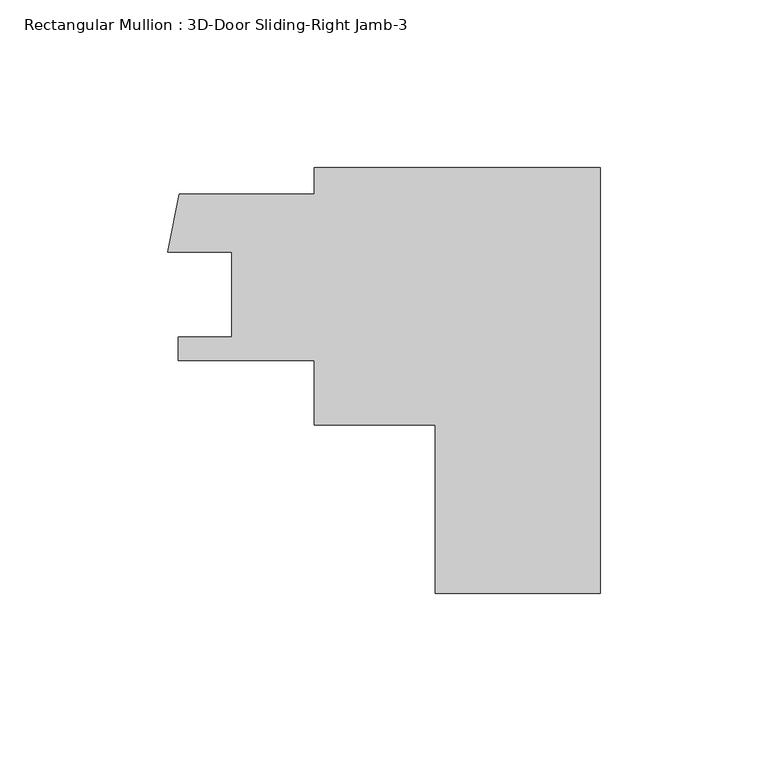
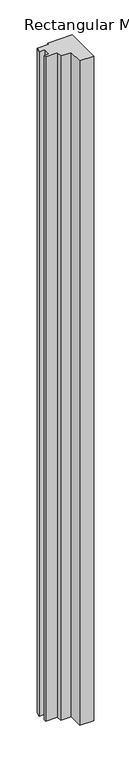
"""IFC4 building model written with IfcOpenShell, lengths in millimetres: member geometry, Rectangular Mullion : 3D-Door Sliding-Right Jamb-3."""

from ifc_helpers import new_model, si_unit, frame, origin, place, context, project, spatial, polyline, outline, extrude, source, transform, mapped, element, save


def rectangular_mullion_3d_door_sliding_right_jamb_3_ad34a86d(model_context):
    return source(origin(), model_context, "Body", "SweptSolid", [
        extrude(outline(polyline([(0.0, -73.025), (-49.2125, -73.025), (-49.2125, -22.8091827), (-85.17636, -22.8091827), (-85.17636, -3.5497168), (-125.6665, -3.5497168), (-125.6665, 3.4162688), (-109.7915, 3.4162688), (-109.7915, 28.8162688), (-128.8578799, 28.8162688), (-125.5164051, 46.0374332), (-85.17636, 46.0374332), (-85.17636, 53.975), (0.0, 53.975), (0.0, -73.025)])), frame((0.0, 0.0, -2408.7328604), z_axis=(0.0, 0.0, 1.0), x_axis=(1.0, 0.0, 0.0)), (0.0, 0.0, 1.0), 2408.7328604),
    ])


if __name__ == "__main__":
    model = new_model("IFC4")
    model_context = context("Model", 3, world=origin())
    ifc_project = project(units=[si_unit("LENGTHUNIT", "METRE", prefix="MILLI")], contexts=[model_context])
    site = spatial("IfcSite", under=ifc_project)
    building = spatial("IfcBuilding", under=site)
    placement = place(None, origin())
    rectangular_mullion_3d_door_sliding_right_jamb_3_shape = rectangular_mullion_3d_door_sliding_right_jamb_3_ad34a86d(model_context)
    element("IfcMember", 1, ObjectType="Rectangular Mullion : 3D-Door Sliding-Right Jamb-3", at=placement, inside=building, context=model_context, shape_type="MappedRepresentation", body=[
        mapped(rectangular_mullion_3d_door_sliding_right_jamb_3_shape, transform((0.0, 0.0, 0.0), x_axis=(1.0, 0.0, 0.0), y_axis=(0.0, 1.0, 0.0), z_axis=(0.0, 0.0, 1.0))),
    ])
    save(model, "model.ifc")
